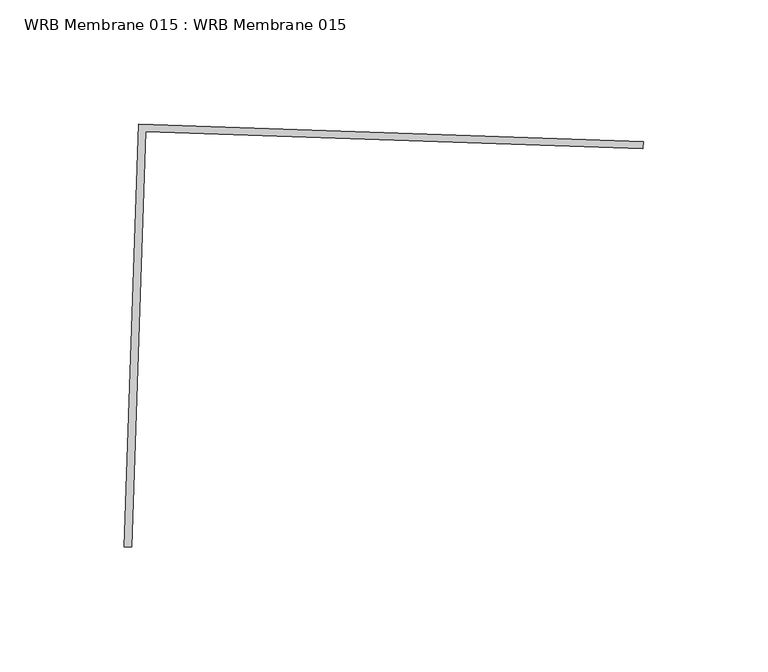
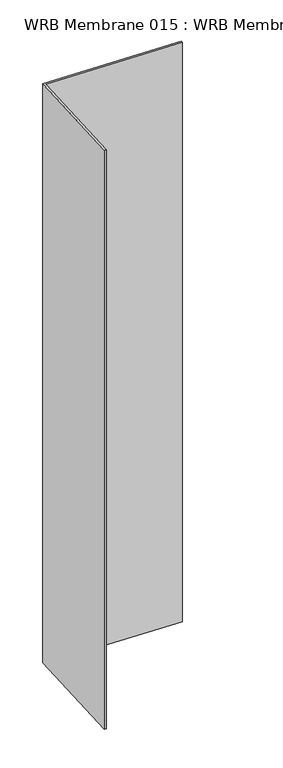
"""IFC4 building model written with IfcOpenShell, lengths in millimetres: proxy geometry, WRB Membrane 015 : WRB Membrane 015."""

from ifc_helpers import new_model, si_unit, frame, origin, place, context, project, spatial, polyline, outline, extrude, source, transform, mapped, element, save


def wrb_membrane_015_wrb_membrane_015_f0e35397(model_context):
    return source(origin(), model_context, "Body", "SweptSolid", [
        extrude(outline(polyline([(34810.8614133, -15239.5342933), (34810.7612585, -15242.460929), (34610.8532837, -15235.6197175), (34605.1383821, -15402.6156317), (34602.2117464, -15402.5154769), (34608.0268027, -15232.592927), (34810.8614133, -15239.5342933)])), frame((0.0, 0.0, 1597.975708), z_axis=(0.0, 0.0, 1.0), x_axis=(1.0, 0.0, 0.0)), (0.0, 0.0, 1.0), 914.4),
    ])


if __name__ == "__main__":
    model = new_model("IFC4")
    model_context = context("Model", 3, world=origin())
    ifc_project = project(units=[si_unit("LENGTHUNIT", "METRE", prefix="MILLI")], contexts=[model_context])
    site = spatial("IfcSite", under=ifc_project)
    building = spatial("IfcBuilding", under=site)
    placement = place(None, origin())
    wrb_membrane_015_wrb_membrane_015_shape = wrb_membrane_015_wrb_membrane_015_f0e35397(model_context)
    element("IfcBuildingElementProxy", 1, Name="WRB Membrane 015 : WRB Membrane 015", ObjectType="WRB Membrane 015 : WRB Membrane 015", at=placement, inside=building, context=model_context, shape_type="MappedRepresentation", body=[
        mapped(wrb_membrane_015_wrb_membrane_015_shape, transform((0.0, 0.0, 0.0), x_axis=(1.0, 0.0, 0.0), y_axis=(0.0, 1.0, 0.0), z_axis=(0.0, 0.0, 1.0))),
    ])
    save(model, "model.ifc")
